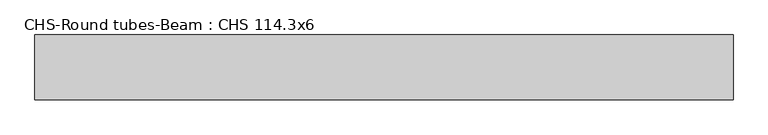
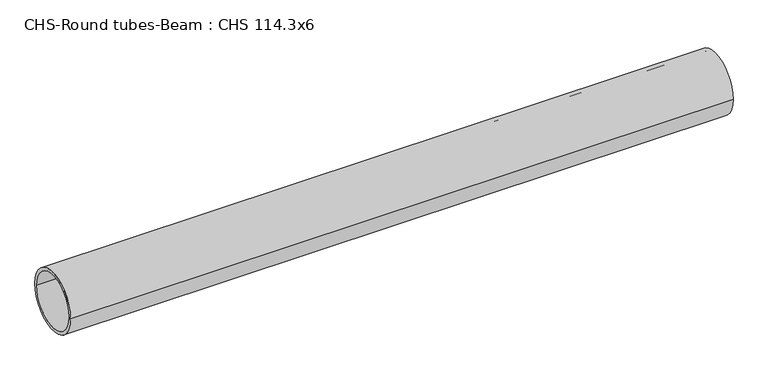
"""IFC4 building model written with IfcOpenShell, lengths in millimetres: beam geometry, CHS-Round tubes-Beam : CHS 114.3x6."""

from ifc_helpers import new_model, si_unit, point, frame, origin, origin_2d, place, context, project, spatial, circle_curve, trimmed, segment, composite_curve, outline, extrude, source, transform, mapped, element, save


def chs_round_tubes_beam_chs_114_3x6_61936efb(model_context):
    return source(origin(), model_context, "Body", "SweptSolid", [
        extrude(outline(composite_curve([segment(trimmed(circle_curve(origin_2d(), 57.15), [point((57.15, 0.0))], [point((-57.15, 0.0))], False, "CARTESIAN"), True, "CONTINUOUS"), segment(trimmed(circle_curve(origin_2d(), 57.15), [point((-57.15, 0.0))], [point((57.15, 0.0))], False, "CARTESIAN"), True, "CONTINUOUS")], self_intersect=False), holes=[composite_curve([segment(trimmed(circle_curve(origin_2d(), 51.15), [point((51.15, 0.0))], [point((-51.15, 0.0))], True, "CARTESIAN"), True, "CONTINUOUS"), segment(trimmed(circle_curve(origin_2d(), 51.15), [point((-51.15, 0.0))], [point((51.15, 0.0))], True, "CARTESIAN"), True, "CONTINUOUS")], self_intersect=False)]), frame((-630.0123557, 0.0, 0.0), z_axis=(1.0, 0.0, 0.0), x_axis=(0.0, 1.0, 0.0)), (0.0, 0.0, 1.0), 1229.5627359),
    ])


if __name__ == "__main__":
    model = new_model("IFC4")
    model_context = context("Model", 3, world=origin())
    ifc_project = project(units=[si_unit("LENGTHUNIT", "METRE", prefix="MILLI")], contexts=[model_context])
    site = spatial("IfcSite", under=ifc_project)
    building = spatial("IfcBuilding", under=site)
    placement = place(None, origin())
    chs_round_tubes_beam_chs_114_3x6_shape = chs_round_tubes_beam_chs_114_3x6_61936efb(model_context)
    element("IfcBeam", 1, ObjectType="CHS-Round tubes-Beam : CHS 114.3x6", at=placement, inside=building, context=model_context, shape_type="MappedRepresentation", body=[
        mapped(chs_round_tubes_beam_chs_114_3x6_shape, transform((0.0, 0.0, 0.0), x_axis=(1.0, 0.0, 0.0), y_axis=(0.0, 1.0, 0.0), z_axis=(0.0, 0.0, 1.0))),
    ])
    save(model, "model.ifc")
